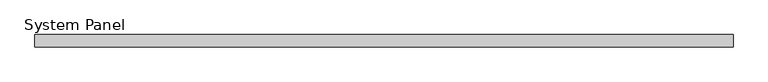
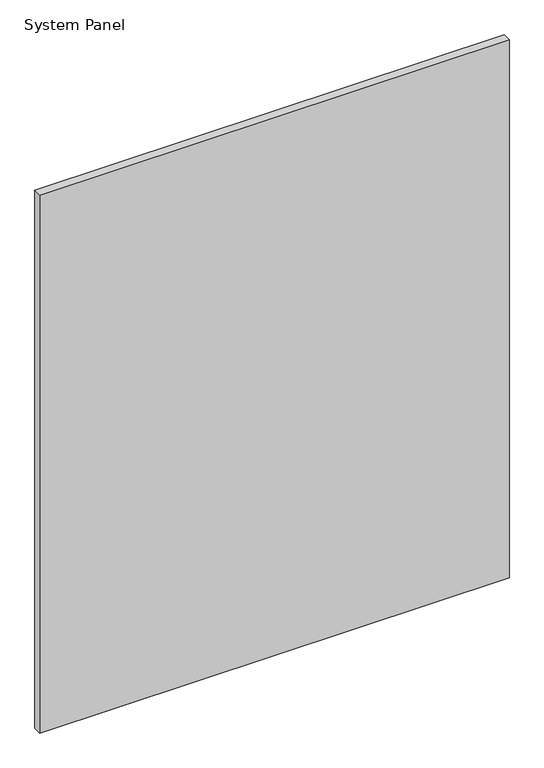
"""IFC4 building model written with IfcOpenShell, lengths in millimetres: plate geometry, System Panel."""

from ifc_helpers import new_model, si_unit, origin, origin_with_axes, place, context, project, spatial, polyline, outline, extrude, source, transform, mapped, element, save


def system_panel_8d2abb0f(model_context):
    return source(origin(), model_context, "Body", "SweptSolid", [
        extrude(outline(polyline([(732.1011624, 44.45), (-732.1011624, 44.45), (-732.1011624, 69.85), (732.1011624, 69.85), (732.1011624, 44.45)])), origin_with_axes(), (0.0, 0.0, 1.0), 1774.4100657),
    ])


if __name__ == "__main__":
    model = new_model("IFC4")
    model_context = context("Model", 3, world=origin())
    ifc_project = project(units=[si_unit("LENGTHUNIT", "METRE", prefix="MILLI")], contexts=[model_context])
    site = spatial("IfcSite", under=ifc_project)
    building = spatial("IfcBuilding", under=site)
    placement = place(None, origin())
    system_panel_shape = system_panel_8d2abb0f(model_context)
    element("IfcPlate", 1, ObjectType="System Panel", at=placement, inside=building, context=model_context, shape_type="MappedRepresentation", body=[
        mapped(system_panel_shape, transform((0.0, 0.0, 0.0), x_axis=(1.0, 0.0, 0.0), y_axis=(0.0, 1.0, 0.0), z_axis=(0.0, 0.0, 1.0))),
    ])
    save(model, "model.ifc")
